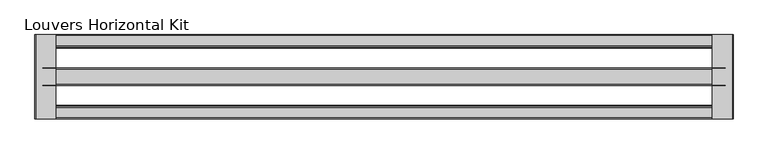
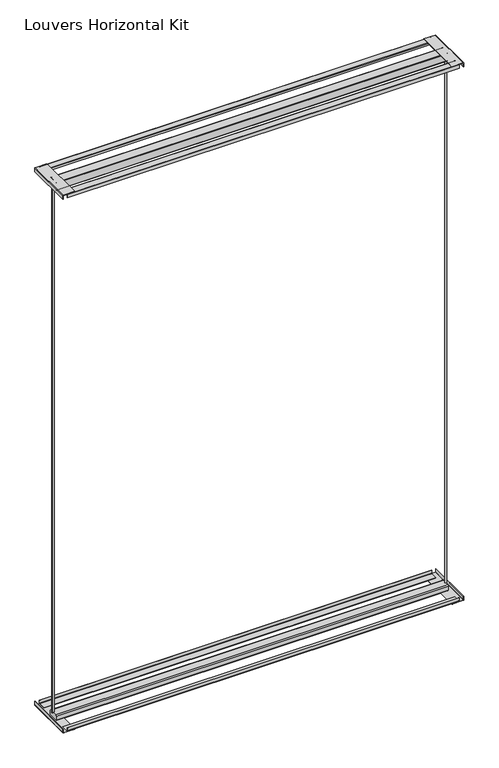
"""IFC4 building model written with IfcOpenShell, lengths in millimetres: proxy geometry, Louvers Horizontal Kit."""

from ifc_helpers import new_model, si_unit, point, frame, frame_2d, origin, place, context, project, spatial, polyline, circle_curve, trimmed, segment, composite_curve, outline, extrude, source, transform, mapped, element, save
from ifc_brep_helpers import plane_surface, extruded_surface, spline_curve, advanced_brep


def louvers_horizontal_kit_b2b75233(model_context):
    return source(origin(), model_context, "Body", "SolidModel", [
        advanced_brep(
        [(-1197.8080688, 120.8643375, 3016.9358), (-1204.1410766, 120.8643375, 3016.9358), (-1197.8080688, 120.8643375, 31.115), (-1204.1410766, 120.8643375, 31.115)],
        [
            (0, 1, spline_curve(3, [(-1197.8080688, 120.8643375, 3016.9358), (-1196.946431651, 120.8643375, 3016.9358), (-1197.192938619, 122.678814497, 3016.9358), (-1196.770795677, 125.557771507, 3016.9358), (-1195.797296601, 126.219830558, 3016.9358), (-1194.493051679, 125.472512128, 3016.9358), (-1194.074695585, 124.437044374, 3016.9358), (-1193.311853267, 122.876749386, 3016.9358), (-1192.972639749, 122.28921433, 3016.9358), (-1192.383039441, 121.966510283, 3016.9358), (-1192.127697432, 122.166468989, 3016.9358), (-1191.988906304, 123.158462727, 3016.9358), (-1192.163673111, 124.030851771, 3016.9358), (-1192.961391369, 125.815290115, 3016.9358), (-1193.703866149, 126.65959334, 3016.9358), (-1195.486815359, 127.456197295, 3016.9358), (-1196.50808438, 127.456197285, 3016.9358), (-1198.191989813, 126.93883953, 3016.9358), (-1198.848862942, 126.413516951, 3016.9358), (-1199.906712359, 124.849776593, 3016.9358), (-1200.331832089, 123.956570953, 3016.9358), (-1201.156038916, 122.979614008, 3016.9358), (-1201.554345323, 122.834642391, 3016.9358), (-1202.165022803, 123.317250084, 3016.9358), (-1202.393448578, 123.690551025, 3016.9358), (-1202.926755292, 124.050596217, 3016.9358), (-1203.21503674, 123.762314832, 3016.9358), (-1204.301641567, 122.082377418, 3016.9358), (-1205.016158108, 120.8643375, 3016.9358), (-1204.1410766, 120.8643375, 3016.9358)], [4, 2, 2, 2, 2, 2, 2, 2, 2, 2, 2, 2, 2, 2, 4], [0.0, 0.008875458975060613, 0.020481200193104176, 0.029854806107422374, 0.03706210961387012, 0.04368861427224201, 0.051259934554953854, 0.06112024851948062, 0.07042349959220107, 0.079869975820476, 0.08715114258611921, 0.09382589082280558, 0.09814811090978548, 0.10456508278359171, 0.1100107556129994])),
            (1, 0),
            (2, 3),
            (3, 2, spline_curve(3, [(-1204.1410766, 120.8643375, 31.115), (-1205.016158108, 120.8643375, 31.115), (-1204.301641567, 122.082377418, 31.115), (-1203.21503674, 123.762314832, 31.115), (-1202.926755292, 124.050596217, 31.115), (-1202.393448578, 123.690551025, 31.115), (-1202.165022803, 123.317250084, 31.115), (-1201.554345323, 122.834642391, 31.115), (-1201.156038916, 122.979614008, 31.115), (-1200.331832089, 123.956570953, 31.115), (-1199.906712359, 124.849776593, 31.115), (-1198.848862942, 126.413516951, 31.115), (-1198.191989813, 126.93883953, 31.115), (-1196.50808438, 127.456197285, 31.115), (-1195.486815359, 127.456197295, 31.115), (-1193.703866149, 126.65959334, 31.115), (-1192.961391369, 125.815290115, 31.115), (-1192.163673111, 124.030851771, 31.115), (-1191.988906304, 123.158462727, 31.115), (-1192.127697432, 122.166468989, 31.115), (-1192.383039441, 121.966510283, 31.115), (-1192.972639749, 122.28921433, 31.115), (-1193.311853267, 122.876749386, 31.115), (-1194.074695585, 124.437044374, 31.115), (-1194.493051679, 125.472512128, 31.115), (-1195.797296601, 126.219830558, 31.115), (-1196.770795677, 125.557771507, 31.115), (-1197.192938619, 122.678814497, 31.115), (-1196.946431651, 120.8643375, 31.115), (-1197.8080688, 120.8643375, 31.115)], [4, 2, 2, 2, 2, 2, 2, 2, 2, 2, 2, 2, 2, 2, 4], [0.0, 0.005445672829407694, 0.011862644703213923, 0.01618486479019382, 0.022859613026880193, 0.0301407797925234, 0.039587256020798336, 0.04889050709351878, 0.05875082105804555, 0.0663221413407574, 0.07294864599912929, 0.08015594950557703, 0.08952955541989523, 0.10113529663793878, 0.1100107556129994])),
            (0, 2),
            (3, 1),
        ],
        [
            plane_surface(frame((-140.5124567, 122.4609375, 3016.9358), z_axis=(0.0, 0.0, 1.0), x_axis=(0.0, -1.0, 0.0))),
            plane_surface(frame((-140.5124567, 122.4609375, 31.115), z_axis=(0.0, 0.0, -1.0), x_axis=(0.0, -1.0, 0.0))),
            extruded_surface(spline_curve(3, [(-1197.8080688, 120.8643375, 31.115), (-1196.946431651, 120.8643375, 31.115), (-1197.192938619, 122.678814497, 31.115), (-1196.770795677, 125.557771507, 31.115), (-1195.797296601, 126.219830558, 31.115), (-1194.493051679, 125.472512128, 31.115), (-1194.074695585, 124.437044374, 31.115), (-1193.311853267, 122.876749386, 31.115), (-1192.972639749, 122.28921433, 31.115), (-1192.383039441, 121.966510283, 31.115), (-1192.127697432, 122.166468989, 31.115), (-1191.988906304, 123.158462727, 31.115), (-1192.163673111, 124.030851771, 31.115), (-1192.961391369, 125.815290115, 31.115), (-1193.703866149, 126.65959334, 31.115), (-1195.486815359, 127.456197295, 31.115), (-1196.50808438, 127.456197285, 31.115), (-1198.191989813, 126.93883953, 31.115), (-1198.848862942, 126.413516951, 31.115), (-1199.906712359, 124.849776593, 31.115), (-1200.331832089, 123.956570953, 31.115), (-1201.156038916, 122.979614008, 31.115), (-1201.554345323, 122.834642391, 31.115), (-1202.165022803, 123.317250084, 31.115), (-1202.393448578, 123.690551025, 31.115), (-1202.926755292, 124.050596217, 31.115), (-1203.21503674, 123.762314832, 31.115), (-1204.301641567, 122.082377418, 31.115), (-1205.016158108, 120.8643375, 31.115), (-1204.1410766, 120.8643375, 31.115)], [4, 2, 2, 2, 2, 2, 2, 2, 2, 2, 2, 2, 2, 2, 4], [0.0, 0.008875458975060613, 0.020481200193104176, 0.029854806107422374, 0.03706210961387012, 0.04368861427224201, 0.051259934554953854, 0.06112024851948062, 0.07042349959220107, 0.079869975820476, 0.08715114258611921, 0.09382589082280558, 0.09814811090978548, 0.10456508278359171, 0.1100107556129994]), (0.0, 0.0, 2985.8208000000004), 2985.8208000000004),
            plane_surface(frame((-1204.1410766, 120.8643375, 3016.9358), z_axis=(0.0, -1.0, 0.0), x_axis=(0.0, 0.0, -1.0))),
        ],
        [
            (0, [[1, 2]]),
            (1, [[3, 4]]),
            (2, [[-1, 5, -4, 6]]),
            (3, [[-2, -6, -3, -5]]),
        ],
    ),
        advanced_brep(
        [(916.7582152, 124.0575375, 3016.9358), (923.0912229, 124.0575375, 3016.9358), (916.7582152, 124.0575375, 31.115), (923.0912229, 124.0575375, 31.115)],
        [
            (0, 1, spline_curve(3, [(916.7582152, 124.0575375, 3016.9358), (915.896578051, 124.0575375, 3016.9358), (916.143085019, 122.243060503, 3016.9358), (915.720942077, 119.364103493, 3016.9358), (914.747443001, 118.702044442, 3016.9358), (913.443198079, 119.449362872, 3016.9358), (913.024841985, 120.484830626, 3016.9358), (912.261999667, 122.045125614, 3016.9358), (911.922786149, 122.63266067, 3016.9358), (911.333185841, 122.955364717, 3016.9358), (911.077843832, 122.755406011, 3016.9358), (910.939052704, 121.763412273, 3016.9358), (911.113819511, 120.891023229, 3016.9358), (911.911537769, 119.106584885, 3016.9358), (912.654012549, 118.26228166, 3016.9358), (914.436961759, 117.465677705, 3016.9358), (915.45823078, 117.465677715, 3016.9358), (917.142136213, 117.98303547, 3016.9358), (917.799009342, 118.508358049, 3016.9358), (918.856858759, 120.072098407, 3016.9358), (919.281978489, 120.965304047, 3016.9358), (920.106185316, 121.942260992, 3016.9358), (920.504491723, 122.087232609, 3016.9358), (921.115169203, 121.604624916, 3016.9358), (921.343594978, 121.231323975, 3016.9358), (921.876901692, 120.871278783, 3016.9358), (922.16518304, 121.159560168, 3016.9358), (923.251787867, 122.839497582, 3016.9358), (923.966304408, 124.0575375, 3016.9358), (923.0912229, 124.0575375, 3016.9358)], [4, 2, 2, 2, 2, 2, 2, 2, 2, 2, 2, 2, 2, 2, 4], [0.0, 0.008875458975060613, 0.020481200193104176, 0.029854806107422374, 0.03706210961387012, 0.04368861427224201, 0.051259934554953854, 0.06112024851948062, 0.07042349959220107, 0.079869975820476, 0.08715114258611921, 0.09382589082280558, 0.09814811090978548, 0.10456508278359171, 0.1100107556129994])),
            (1, 0),
            (2, 3),
            (3, 2, spline_curve(3, [(923.0912229, 124.0575375, 31.115), (923.966304408, 124.0575375, 31.115), (923.251787867, 122.839497582, 31.115), (922.16518304, 121.159560168, 31.115), (921.876901692, 120.871278783, 31.115), (921.343594978, 121.231323975, 31.115), (921.115169203, 121.604624916, 31.115), (920.504491723, 122.087232609, 31.115), (920.106185316, 121.942260992, 31.115), (919.281978489, 120.965304047, 31.115), (918.856858759, 120.072098407, 31.115), (917.799009342, 118.508358049, 31.115), (917.142136213, 117.98303547, 31.115), (915.45823078, 117.465677715, 31.115), (914.436961759, 117.465677705, 31.115), (912.654012549, 118.26228166, 31.115), (911.911537769, 119.106584885, 31.115), (911.113819511, 120.891023229, 31.115), (910.939052704, 121.763412273, 31.115), (911.077843832, 122.755406011, 31.115), (911.333185841, 122.955364717, 31.115), (911.922786149, 122.63266067, 31.115), (912.261999667, 122.045125614, 31.115), (913.024841985, 120.484830626, 31.115), (913.443198079, 119.449362872, 31.115), (914.747443001, 118.702044442, 31.115), (915.720942077, 119.364103493, 31.115), (916.143085019, 122.243060503, 31.115), (915.896578051, 124.0575375, 31.115), (916.7582152, 124.0575375, 31.115)], [4, 2, 2, 2, 2, 2, 2, 2, 2, 2, 2, 2, 2, 2, 4], [0.0, 0.005445672829407694, 0.011862644703213923, 0.01618486479019382, 0.022859613026880193, 0.0301407797925234, 0.039587256020798336, 0.04889050709351878, 0.05875082105804555, 0.0663221413407574, 0.07294864599912929, 0.08015594950557703, 0.08952955541989523, 0.10113529663793878, 0.1100107556129994])),
            (0, 2),
            (3, 1),
        ],
        [
            plane_surface(frame((-140.5124567, 122.4609375, 3016.9358), z_axis=(0.0, 0.0, 1.0), x_axis=(0.0, -1.0, 0.0))),
            plane_surface(frame((-140.5124567, 122.4609375, 31.115), z_axis=(0.0, 0.0, -1.0), x_axis=(0.0, -1.0, 0.0))),
            extruded_surface(spline_curve(3, [(916.7582152, 124.0575375, 31.115), (915.896578051, 124.0575375, 31.115), (916.143085019, 122.243060503, 31.115), (915.720942077, 119.364103493, 31.115), (914.747443001, 118.702044442, 31.115), (913.443198079, 119.449362872, 31.115), (913.024841985, 120.484830626, 31.115), (912.261999667, 122.045125614, 31.115), (911.922786149, 122.63266067, 31.115), (911.333185841, 122.955364717, 31.115), (911.077843832, 122.755406011, 31.115), (910.939052704, 121.763412273, 31.115), (911.113819511, 120.891023229, 31.115), (911.911537769, 119.106584885, 31.115), (912.654012549, 118.26228166, 31.115), (914.436961759, 117.465677705, 31.115), (915.45823078, 117.465677715, 31.115), (917.142136213, 117.98303547, 31.115), (917.799009342, 118.508358049, 31.115), (918.856858759, 120.072098407, 31.115), (919.281978489, 120.965304047, 31.115), (920.106185316, 121.942260992, 31.115), (920.504491723, 122.087232609, 31.115), (921.115169203, 121.604624916, 31.115), (921.343594978, 121.231323975, 31.115), (921.876901692, 120.871278783, 31.115), (922.16518304, 121.159560168, 31.115), (923.251787867, 122.839497582, 31.115), (923.966304408, 124.0575375, 31.115), (923.0912229, 124.0575375, 31.115)], [4, 2, 2, 2, 2, 2, 2, 2, 2, 2, 2, 2, 2, 2, 4], [0.0, 0.008875458975060613, 0.020481200193104176, 0.029854806107422374, 0.03706210961387012, 0.04368861427224201, 0.051259934554953854, 0.06112024851948062, 0.07042349959220107, 0.079869975820476, 0.08715114258611921, 0.09382589082280558, 0.09814811090978548, 0.10456508278359171, 0.1100107556129994]), (0.0, 0.0, 2985.8208000000004), 2985.8208000000004),
            plane_surface(frame((923.0912229, 124.0575375, 3016.9358), z_axis=(0.0, 1.0, 0.0), x_axis=(0.0, 0.0, -1.0))),
        ],
        [
            (0, [[1, 2]]),
            (1, [[3, 4]]),
            (2, [[-1, 5, -4, 6]]),
            (3, [[-2, -6, -3, -5]]),
        ],
    ),
        extrude(outline(composite_curve([segment(polyline([(3057.8565742, -1220.0124567), (3038.475, -1220.0124567), (3038.475, -1218.4249567), (3058.2567188, -1218.4249567)]), True, "CONTINUOUS"), segment(trimmed(circle_curve(frame_2d((3058.2567188, -1217.5691755)), 0.8557812), [point((3058.2567188, -1218.4249567))], [point((3059.1125, -1217.5691755))], True, "CARTESIAN"), True, "CONTINUOUS"), segment(polyline([(3059.1125, -1217.5691755), (3059.1125, -1154.9249567), (3060.7, -1154.9249567), (3060.7, -1217.1690309)]), True, "CONTINUOUS"), segment(trimmed(circle_curve(frame_2d((3057.8565742, -1217.1690309)), 2.8434258), [point((3060.7, -1217.1690309))], [point((3057.8565742, -1220.0124567))], False, "CARTESIAN"), True, "CONTINUOUS")], self_intersect=False)), frame((0.0, -7.7140625, 0.0), z_axis=(0.0, 1.0, 0.0), x_axis=(0.0, 0.0, 1.0)), (0.0, 0.0, 1.0), 260.35),
        extrude(outline(composite_curve([segment(trimmed(circle_curve(frame_2d((3058.0053761, 936.2929194)), 1.1071239), [point((3059.1125, 936.2929194))], [point((3058.0053761, 937.4000433))], True, "CARTESIAN"), True, "CONTINUOUS"), segment(polyline([(3058.0053761, 937.4000433), (3038.475, 937.4000433), (3038.475, 938.9875433), (3058.0291953, 938.9875433)]), True, "CONTINUOUS"), segment(trimmed(circle_curve(frame_2d((3058.0291953, 936.3167386)), 2.6708047), [point((3058.0291953, 938.9875433))], [point((3060.7, 936.3167386))], False, "CARTESIAN"), True, "CONTINUOUS"), segment(polyline([(3060.7, 936.3167386), (3060.7, 873.9000433), (3059.1125, 873.9000433), (3059.1125, 936.2929194)]), True, "CONTINUOUS")], self_intersect=False)), frame((0.0, -7.7140625, 0.0), z_axis=(0.0, 1.0, 0.0), x_axis=(0.0, 0.0, 1.0)), (0.0, 0.0, 1.0), 260.35),
        extrude(outline(composite_curve([segment(polyline([(22.225, -1218.4249567), (22.225, -1220.0124567), (2.6985254, -1220.0124567)]), True, "CONTINUOUS"), segment(trimmed(circle_curve(frame_2d((2.6985254, -1217.3139313)), 2.6985254), [point((2.6985254, -1220.0124567))], [point((0.0, -1217.3139313))], False, "CARTESIAN"), True, "CONTINUOUS"), segment(polyline([(0.0, -1217.3139313), (0.0, -1154.9249567), (1.5875, -1154.9249567), (1.5875, -1217.3071948)]), True, "CONTINUOUS"), segment(trimmed(circle_curve(frame_2d((2.7052619, -1217.3071948)), 1.1177619), [point((1.5875, -1217.3071948))], [point((2.7052619, -1218.4249567))], True, "CARTESIAN"), True, "CONTINUOUS"), segment(polyline([(2.7052619, -1218.4249567), (22.225, -1218.4249567)]), True, "CONTINUOUS")], self_intersect=False)), frame((0.0, -7.7140625, 0.0), z_axis=(0.0, 1.0, 0.0), x_axis=(0.0, 0.0, 1.0)), (0.0, 0.0, 1.0), 260.35),
        extrude(outline(composite_curve([segment(polyline([(1.5875, 873.9000433), (0.0, 873.9000433), (0.0, 935.9913593)]), True, "CONTINUOUS"), segment(trimmed(circle_curve(frame_2d((2.996184, 935.9913593)), 2.996184), [point((0.0, 935.9913593))], [point((2.996184, 938.9875433))], False, "CARTESIAN"), True, "CONTINUOUS"), segment(polyline([(2.996184, 938.9875433), (22.225, 938.9875433), (22.225, 937.4000433), (2.6812433, 937.4000433)]), True, "CONTINUOUS"), segment(trimmed(circle_curve(frame_2d((2.6812433, 936.3062999)), 1.0937433), [point((2.6812433, 937.4000433))], [point((1.5875, 936.3062999))], True, "CARTESIAN"), True, "CONTINUOUS"), segment(polyline([(1.5875, 936.3062999), (1.5875, 873.9000433)]), True, "CONTINUOUS")], self_intersect=False)), frame((0.0, -7.7140625, 0.0), z_axis=(0.0, 1.0, 0.0), x_axis=(0.0, 0.0, 1.0)), (0.0, 0.0, 1.0), 260.35),
        extrude(outline(composite_curve([segment(polyline([(251.4167375, 3038.2837), (251.4167375, 3056.8957431)]), True, "CONTINUOUS"), segment(trimmed(circle_curve(frame_2d((250.3556806, 3056.8957431)), 1.0610569), [point((251.4167375, 3056.8957431))], [point((250.3556806, 3057.9568))], True, "CARTESIAN"), True, "CONTINUOUS"), segment(polyline([(250.3556806, 3057.9568), (217.0862316, 3057.9568)]), True, "CONTINUOUS"), segment(trimmed(circle_curve(frame_2d((217.0862316, 3057.0067059)), 0.9500941), [point((217.0862316, 3057.9568))], [point((216.1361375, 3057.0067059))], True, "CARTESIAN"), True, "CONTINUOUS"), segment(polyline([(216.1361375, 3057.0067059), (216.1361375, 3046.476), (214.9169375, 3046.476), (214.9169375, 3056.9663772)]), True, "CONTINUOUS"), segment(trimmed(circle_curve(frame_2d((217.1265603, 3056.9663772)), 2.2096228), [point((214.9169375, 3056.9663772))], [point((217.1265603, 3059.176))], False, "CARTESIAN"), True, "CONTINUOUS"), segment(polyline([(217.1265603, 3059.176), (250.3692739, 3059.176)]), True, "CONTINUOUS"), segment(trimmed(circle_curve(frame_2d((250.3692739, 3056.9093364)), 2.2666636), [point((250.3692739, 3059.176))], [point((252.6359375, 3056.9093364))], False, "CARTESIAN"), True, "CONTINUOUS"), segment(polyline([(252.6359375, 3056.9093364), (252.6359375, 3038.2837), (251.4167375, 3038.2837)]), True, "CONTINUOUS")], self_intersect=False)), frame((-1196.2126567, 0.0, 0.0), z_axis=(1.0, 0.0, 0.0), x_axis=(0.0, 1.0, 0.0)), (0.0, 0.0, 1.0), 2111.4004),
        extrude(outline(composite_curve([segment(trimmed(circle_curve(frame_2d((147.1993917, 3058.0115342)), 2.6884658), [point((147.1993917, 3060.7))], [point((149.8878575, 3058.0115342))], False, "CARTESIAN"), True, "CONTINUOUS"), segment(polyline([(149.8878575, 3058.0115342), (149.8878575, 3021.8509875)]), True, "CONTINUOUS"), segment(trimmed(circle_curve(frame_2d((144.97267, 3021.8509875)), 4.9151875), [point((149.8878575, 3021.8509875))], [point((144.97267, 3016.9358))], False, "CARTESIAN"), True, "CONTINUOUS"), segment(polyline([(144.97267, 3016.9358), (97.7410837, 3016.9358)]), True, "CONTINUOUS"), segment(trimmed(circle_curve(frame_2d((97.7410837, 3019.6428662)), 2.7070662), [point((97.7410837, 3016.9358))], [point((95.0340175, 3019.6428662))], False, "CARTESIAN"), True, "CONTINUOUS"), segment(polyline([(95.0340175, 3019.6428662), (95.0340175, 3057.9567899)]), True, "CONTINUOUS"), segment(trimmed(circle_curve(frame_2d((97.7772276, 3057.9567899)), 2.7432101), [point((95.0340175, 3057.9567899))], [point((97.7772276, 3060.7))], False, "CARTESIAN"), True, "CONTINUOUS"), segment(polyline([(97.7772276, 3060.7), (147.1993917, 3060.7)]), True, "CONTINUOUS")], self_intersect=False)), frame((-1196.2126567, 0.0, 0.0), z_axis=(1.0, 0.0, 0.0), x_axis=(0.0, 1.0, 0.0)), (0.0, 0.0, 1.0), 2111.4004),
        extrude(outline(composite_curve([segment(trimmed(circle_curve(frame_2d((27.7925673, 3056.9636298)), 2.2123702), [point((27.7925673, 3059.176))], [point((30.0049375, 3056.9636298))], False, "CARTESIAN"), True, "CONTINUOUS"), segment(polyline([(30.0049375, 3056.9636298), (30.0049375, 3046.476), (28.7857375, 3046.476), (28.7857375, 3056.9123345)]), True, "CONTINUOUS"), segment(trimmed(circle_curve(frame_2d((27.741272, 3056.9123345)), 1.0444655), [point((28.7857375, 3056.9123345))], [point((27.741272, 3057.9568))], True, "CARTESIAN"), True, "CONTINUOUS"), segment(polyline([(27.741272, 3057.9568), (-5.426417, 3057.9568)]), True, "CONTINUOUS"), segment(trimmed(circle_curve(frame_2d((-5.426417, 3056.8883545)), 1.0684455), [point((-5.426417, 3057.9568))], [point((-6.4948625, 3056.8883545))], True, "CARTESIAN"), True, "CONTINUOUS"), segment(polyline([(-6.4948625, 3056.8883545), (-6.4948625, 3038.2837), (-7.7140625, 3038.2837), (-7.7140625, 3057.0781083)]), True, "CONTINUOUS"), segment(trimmed(circle_curve(frame_2d((-5.6161708, 3057.0781083)), 2.0978917), [point((-7.7140625, 3057.0781083))], [point((-5.6161708, 3059.176))], False, "CARTESIAN"), True, "CONTINUOUS"), segment(polyline([(-5.6161708, 3059.176), (27.7925673, 3059.176)]), True, "CONTINUOUS")], self_intersect=False)), frame((-1196.2126567, 0.0, 0.0), z_axis=(1.0, 0.0, 0.0), x_axis=(0.0, 1.0, 0.0)), (0.0, 0.0, 1.0), 2111.4004),
        extrude(outline(composite_curve([segment(polyline([(-3.7463885, 3.04292), (33.5609375, 3.04292), (33.5609375, 1.524), (-3.7920205, 1.524)]), True, "CONTINUOUS"), segment(trimmed(circle_curve(frame_2d((-3.7920205, 5.446042)), 3.922042), [point((-3.7920205, 1.524))], [point((-7.7140625, 5.446042))], False, "CARTESIAN"), True, "CONTINUOUS"), segment(polyline([(-7.7140625, 5.446042), (-7.7140625, 22.1615), (-6.1951425, 22.1615), (-6.1951425, 5.491674)]), True, "CONTINUOUS"), segment(trimmed(circle_curve(frame_2d((-3.7463885, 5.491674)), 2.448754), [point((-6.1951425, 5.491674))], [point((-3.7463885, 3.04292))], True, "CARTESIAN"), True, "CONTINUOUS")], self_intersect=False)), frame((-1196.2126567, 0.0, 0.0), z_axis=(1.0, 0.0, 0.0), x_axis=(0.0, 1.0, 0.0)), (0.0, 0.0, 1.0), 2111.4004),
        extrude(outline(composite_curve([segment(trimmed(circle_curve(frame_2d((101.6888175, 24.765)), 6.35), [point((95.3388175, 24.765))], [point((101.6888175, 31.115))], False, "CARTESIAN"), True, "CONTINUOUS"), segment(polyline([(101.6888175, 31.115), (143.2330575, 31.115)]), True, "CONTINUOUS"), segment(trimmed(circle_curve(frame_2d((143.2330575, 24.765)), 6.35), [point((143.2330575, 31.115))], [point((149.5830575, 24.765))], False, "CARTESIAN"), True, "CONTINUOUS"), segment(polyline([(149.5830575, 24.765), (149.5830575, 1.7671503)]), True, "CONTINUOUS"), segment(trimmed(circle_curve(frame_2d((147.8159072, 1.7671503)), 1.7671503), [point((149.5830575, 1.7671503))], [point((147.8159072, 0.0))], False, "CARTESIAN"), True, "CONTINUOUS"), segment(polyline([(147.8159072, 0.0), (97.1991443, 0.0)]), True, "CONTINUOUS"), segment(trimmed(circle_curve(frame_2d((97.1991443, 1.8603268)), 1.8603268), [point((97.1991443, 0.0))], [point((95.3388175, 1.8603268))], False, "CARTESIAN"), True, "CONTINUOUS"), segment(polyline([(95.3388175, 1.8603268), (95.3388175, 24.765)]), True, "CONTINUOUS")], self_intersect=False)), frame((-1196.2126567, 0.0, 0.0), z_axis=(1.0, 0.0, 0.0), x_axis=(0.0, 1.0, 0.0)), (0.0, 0.0, 1.0), 2111.4004),
        extrude(outline(composite_curve([segment(polyline([(211.3609375, 3.04292), (248.7131659, 3.04292)]), True, "CONTINUOUS"), segment(trimmed(circle_curve(frame_2d((248.7131659, 5.4467716)), 2.4038516), [point((248.7131659, 3.04292))], [point((251.1170175, 5.4467716))], True, "CARTESIAN"), True, "CONTINUOUS"), segment(polyline([(251.1170175, 5.4467716), (251.1170175, 22.1615), (252.6359375, 22.1615), (252.6359375, 5.4526681)]), True, "CONTINUOUS"), segment(trimmed(circle_curve(frame_2d((248.7072694, 5.4526681)), 3.9286681), [point((252.6359375, 5.4526681))], [point((248.7072694, 1.524))], False, "CARTESIAN"), True, "CONTINUOUS"), segment(polyline([(248.7072694, 1.524), (211.3609375, 1.524), (211.3609375, 3.04292)]), True, "CONTINUOUS")], self_intersect=False)), frame((-1196.2126567, 0.0, 0.0), z_axis=(1.0, 0.0, 0.0), x_axis=(0.0, 1.0, 0.0)), (0.0, 0.0, 1.0), 2111.4004),
    ])


if __name__ == "__main__":
    model = new_model("IFC4")
    model_context = context("Model", 3, world=origin())
    ifc_project = project(units=[si_unit("LENGTHUNIT", "METRE", prefix="MILLI")], contexts=[model_context])
    site = spatial("IfcSite", under=ifc_project)
    building = spatial("IfcBuilding", under=site)
    placement = place(None, origin())
    louvers_horizontal_kit_shape = louvers_horizontal_kit_b2b75233(model_context)
    element("IfcBuildingElementProxy", 1, Name="Louvers Horizontal Kit", ObjectType="Louvers Horizontal Kit", at=placement, inside=building, context=model_context, shape_type="MappedRepresentation", body=[
        mapped(louvers_horizontal_kit_shape, transform((0.0, 0.0, 0.0), x_axis=(1.0, 0.0, 0.0), y_axis=(0.0, 1.0, 0.0), z_axis=(0.0, 0.0, 1.0))),
    ])
    save(model, "model.ifc")
